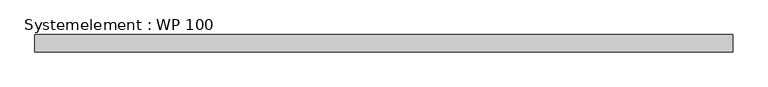
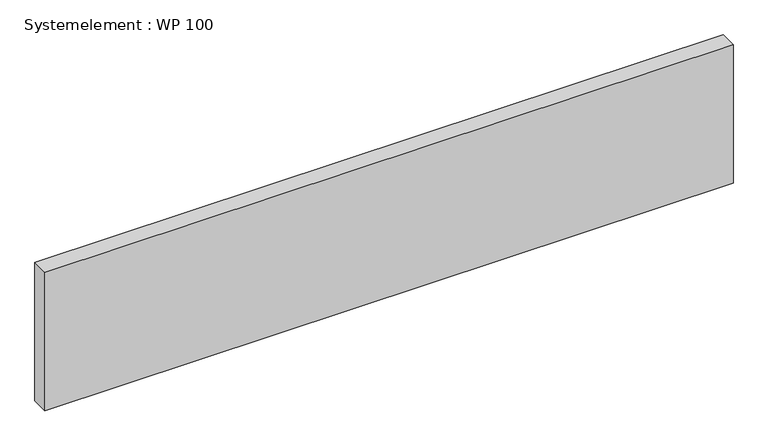
"""IFC4 building model written with IfcOpenShell, lengths in millimetres: plate geometry, Systemelement : WP 100."""

from ifc_helpers import new_model, si_unit, origin, origin_with_axes, place, context, project, spatial, polyline, outline, extrude, source, transform, mapped, element, save


def systemelement_wp_100_6190545f(model_context):
    return source(origin(), model_context, "Body", "SweptSolid", [
        extrude(outline(polyline([(2000.0, -100.0), (-2000.0, -100.0), (-2000.0, 0.0), (2000.0, 0.0), (2000.0, -100.0)])), origin_with_axes(), (0.0, 0.0, 1.0), 851.6147161),
    ])


if __name__ == "__main__":
    model = new_model("IFC4")
    model_context = context("Model", 3, world=origin())
    ifc_project = project(units=[si_unit("LENGTHUNIT", "METRE", prefix="MILLI")], contexts=[model_context])
    site = spatial("IfcSite", under=ifc_project)
    building = spatial("IfcBuilding", under=site)
    placement = place(None, origin())
    systemelement_wp_100_shape = systemelement_wp_100_6190545f(model_context)
    element("IfcPlate", 1, ObjectType="Systemelement : WP 100", at=placement, inside=building, context=model_context, shape_type="MappedRepresentation", body=[
        mapped(systemelement_wp_100_shape, transform((0.0, 0.0, 0.0), x_axis=(1.0, 0.0, 0.0), y_axis=(0.0, 1.0, 0.0), z_axis=(0.0, 0.0, 1.0))),
    ])
    save(model, "model.ifc")
